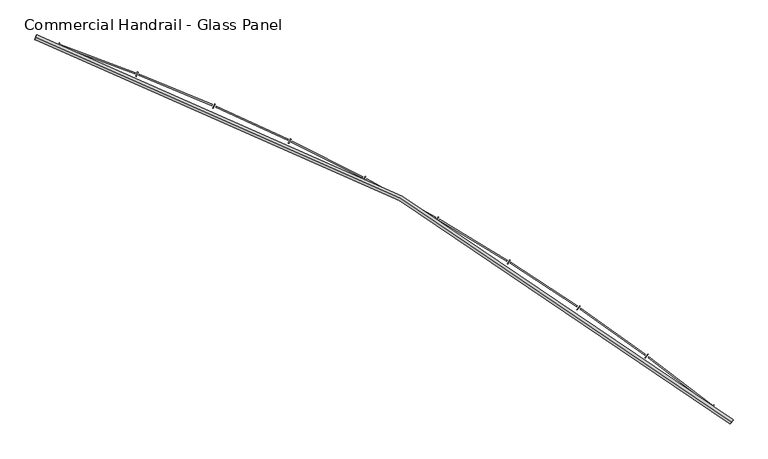
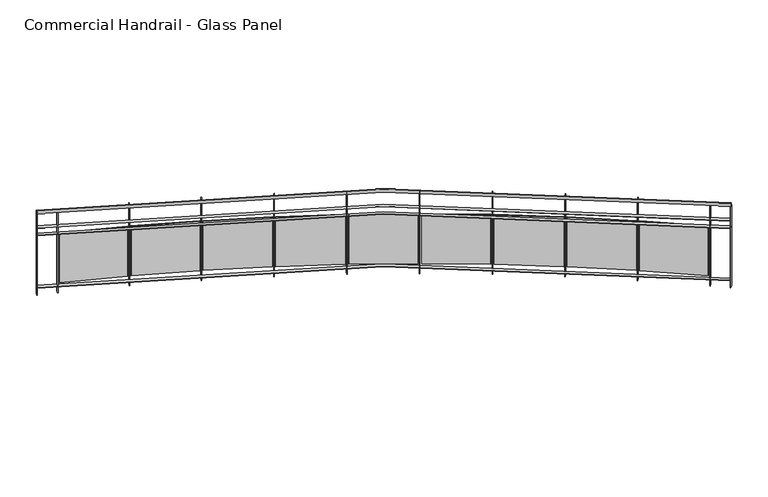
"""IFC4 building model written with IfcOpenShell, lengths in millimetres: railing geometry, Commercial Handrail - Glass Panel."""

from ifc_helpers import new_model, si_unit, point, frame, origin, place, context, project, spatial, polyline, circle_curve, ellipse_curve, trimmed, outline, extrude, source, transform, mapped, element, save
from ifc_brep_helpers import plane_surface, cylinder_surface, revolved_surface, advanced_brep


def commercial_handrail_glass_panel_dd479599(model_context):
    return source(origin(), model_context, "Body", "SolidModel", [
        advanced_brep(
        [(150583.3685507, -40178.0609172, 29882.5), (143915.4015975, -36490.7578825, 29882.5), (143915.4015975, -36490.7578825, 29917.5), (150583.3685507, -40178.0609172, 29917.5)],
        [
            (0, 1, circle_curve(frame((137048.5497623, -56781.179875, 29882.5), z_axis=(0.0, 0.0, 1.0), x_axis=(0.3205678761961466, 0.9472255469269671, 0.0)), 21420.8981782)),
            (1, 2, ellipse_curve(frame((143915.4015975, -36490.7578825, 29900.0), z_axis=(0.9472255469269654, -0.3205678761961524, 0.0), x_axis=(-0.32056787619615235, -0.9472255469269651, 0.0)), 25.0, 17.5)),
            (2, 3, circle_curve(frame((137048.5497623, -56781.179875, 29917.5), z_axis=(0.0, 0.0, -1.0), x_axis=(0.3205678761961466, 0.9472255469269671, 0.0)), 21420.8981782)),
            (3, 0, ellipse_curve(frame((150583.3685507, -40178.0609172, 29900.0), z_axis=(-0.7750897660636332, 0.6318511332136888, 0.0), x_axis=(-0.6318511332136887, -0.775089766063633, 0.0)), 25.0, 17.5)),
            (2, 1, ellipse_curve(frame((143915.4015975, -36490.7578825, 29900.0), z_axis=(0.9472255469269654, -0.3205678761961524, 0.0), x_axis=(-0.32056787619615235, -0.9472255469269651, 0.0)), 25.0, 17.5)),
            (0, 3, ellipse_curve(frame((150583.3685507, -40178.0609172, 29900.0), z_axis=(-0.7750897660636332, 0.6318511332136888, 0.0), x_axis=(-0.6318511332136887, -0.775089766063633, 0.0)), 25.0, 17.5)),
        ],
        [
            revolved_surface(trimmed(ellipse_curve(frame((143915.4015975, -36490.7578825, 29900.0), z_axis=(-0.9472255469269671, 0.3205678761961466, 0.0), x_axis=(0.0, 0.0, -1.0)), 17.5, 25.0), [point((143915.4015975, -36490.7578825, 29917.5))], [point((143915.4015975, -36490.7578825, 29882.5))], True, "CARTESIAN"), (137048.5497623, -56781.179875, 29900.0), (0.0, 0.0, -1.0)),
            revolved_surface(trimmed(ellipse_curve(frame((143915.4015975, -36490.7578825, 29900.0), z_axis=(-0.9472255469269671, 0.3205678761961466, 0.0), x_axis=(0.0, 0.0, -1.0)), 17.5, 25.0), [point((143915.4015975, -36490.7578825, 29882.5))], [point((143915.4015975, -36490.7578825, 29917.5))], True, "CARTESIAN"), (137048.5497623, -56781.179875, 29900.0), (0.0, 0.0, -1.0)),
            plane_surface(frame((143915.4015975, -36490.7578825, 29900.0), z_axis=(-0.9472255469269671, 0.3205678761961466, 0.0), x_axis=(0.3205678761961466, 0.9472255469269671, 0.0))),
            plane_surface(frame((150583.3685507, -40178.0609172, 29900.0), z_axis=(0.7750897660636331, -0.6318511332136886, 0.0), x_axis=(0.6318511332136886, 0.7750897660636331, 0.0))),
        ],
        [
            (0, [[1, 2, 3, 4]]),
            (1, [[-3, 5, -1, 6]]),
            (2, [[-2, -5]]),
            (3, [[-6, -4]]),
        ],
    ),
        advanced_brep(
        [(150597.5852012, -40160.6213975, 29700.0), (143922.6143747, -36469.4453077, 29700.0), (143908.1888203, -36512.0704573, 29700.0), (150569.1519002, -40195.500437, 29700.0), (150597.5852012, -40160.6213975, 29694.0), (143922.6143747, -36469.4453077, 29694.0), (150569.1519002, -40195.500437, 29694.0), (143908.1888203, -36512.0704573, 29694.0)],
        [
            (0, 1, circle_curve(frame((137048.5497623, -56781.179875, 29700.0), z_axis=(0.0, 0.0, 1.0), x_axis=(0.3205678761961466, 0.9472255469269671, 0.0)), 21443.3981782)),
            (1, 2),
            (2, 3, circle_curve(frame((137048.5497623, -56781.179875, 29700.0), z_axis=(0.0, 0.0, -1.0), x_axis=(0.3205678761961466, 0.9472255469269671, 0.0)), 21398.3981782)),
            (3, 0),
            (4, 5, circle_curve(frame((137048.5497623, -56781.179875, 29694.0), z_axis=(0.0, 0.0, 1.0), x_axis=(0.3205678761961466, 0.9472255469269671, 0.0)), 21443.3981782)),
            (5, 1),
            (0, 4),
            (6, 7, circle_curve(frame((137048.5497623, -56781.179875, 29694.0), z_axis=(0.0, 0.0, 1.0), x_axis=(0.3205678761961466, 0.9472255469269671, 0.0)), 21398.3981782)),
            (7, 5),
            (4, 6),
            (2, 7),
            (6, 3),
        ],
        [
            plane_surface(frame((137048.5497623, -56781.179875, 29700.0), z_axis=(0.0, 0.0, 1.0), x_axis=(0.3205678761961466, 0.9472255469269671, 0.0))),
            cylinder_surface(frame((137048.5497623, -56781.179875, 29700.0), z_axis=(0.0, 0.0, -1.0), x_axis=(0.3205678761961466, 0.9472255469269671, 0.0)), 21443.3981782),
            plane_surface(frame((137048.5497623, -56781.179875, 29694.0), z_axis=(0.0, 0.0, -1.0), x_axis=(0.3205678761961466, 0.9472255469269671, 0.0))),
            revolved_surface(polyline([(143908.18882028508, -36512.07045729349, 29694.0), (143908.18882028508, -36512.07045729349, 29700.0)]), (137048.5497623, -56781.179875, 29700.0), (0.0, 0.0, -1.0)),
            plane_surface(frame((143915.4015975, -36490.7578825, 29700.0), z_axis=(-0.9472255469269671, 0.3205678761961466, 0.0), x_axis=(0.3205678761961466, 0.9472255469269671, 0.0))),
            plane_surface(frame((150583.3685507, -40178.0609172, 29700.0), z_axis=(0.7750897660636331, -0.6318511332136886, 0.0), x_axis=(0.6318511332136886, 0.7750897660636331, 0.0))),
        ],
        [
            (0, [[1, 2, 3, 4]]),
            (1, [[5, 6, -1, 7]]),
            (2, [[8, 9, -5, 10]]),
            (3, [[-3, 11, -8, 12]]),
            (4, [[-2, -6, -9, -11]]),
            (5, [[-12, -10, -7, -4]]),
        ],
    ),
        advanced_brep(
        [(150597.5852012, -40160.6213975, 29600.0), (143922.6143747, -36469.4453077, 29600.0), (143908.1888203, -36512.0704573, 29600.0), (150569.1519002, -40195.500437, 29600.0), (150597.5852012, -40160.6213975, 29594.0), (143922.6143747, -36469.4453077, 29594.0), (150569.1519002, -40195.500437, 29594.0), (143908.1888203, -36512.0704573, 29594.0)],
        [
            (0, 1, circle_curve(frame((137048.5497623, -56781.179875, 29600.0), z_axis=(0.0, 0.0, 1.0), x_axis=(0.3205678761961466, 0.9472255469269671, 0.0)), 21443.3981782)),
            (1, 2),
            (2, 3, circle_curve(frame((137048.5497623, -56781.179875, 29600.0), z_axis=(0.0, 0.0, -1.0), x_axis=(0.3205678761961466, 0.9472255469269671, 0.0)), 21398.3981782)),
            (3, 0),
            (4, 5, circle_curve(frame((137048.5497623, -56781.179875, 29594.0), z_axis=(0.0, 0.0, 1.0), x_axis=(0.3205678761961466, 0.9472255469269671, 0.0)), 21443.3981782)),
            (5, 1),
            (0, 4),
            (6, 7, circle_curve(frame((137048.5497623, -56781.179875, 29594.0), z_axis=(0.0, 0.0, 1.0), x_axis=(0.3205678761961466, 0.9472255469269671, 0.0)), 21398.3981782)),
            (7, 5),
            (4, 6),
            (2, 7),
            (6, 3),
        ],
        [
            plane_surface(frame((137048.5497623, -56781.179875, 29600.0), z_axis=(0.0, 0.0, 1.0), x_axis=(0.3205678761961466, 0.9472255469269671, 0.0))),
            cylinder_surface(frame((137048.5497623, -56781.179875, 29600.0), z_axis=(0.0, 0.0, -1.0), x_axis=(0.3205678761961466, 0.9472255469269671, 0.0)), 21443.3981782),
            plane_surface(frame((137048.5497623, -56781.179875, 29594.0), z_axis=(0.0, 0.0, -1.0), x_axis=(0.3205678761961466, 0.9472255469269671, 0.0))),
            revolved_surface(polyline([(143908.18882028508, -36512.07045729349, 29594.0), (143908.18882028508, -36512.07045729349, 29600.0)]), (137048.5497623, -56781.179875, 29600.0), (0.0, 0.0, -1.0)),
            plane_surface(frame((143915.4015975, -36490.7578825, 29600.0), z_axis=(-0.9472255469269671, 0.3205678761961466, 0.0), x_axis=(0.3205678761961466, 0.9472255469269671, 0.0))),
            plane_surface(frame((150583.3685507, -40178.0609172, 29600.0), z_axis=(0.7750897660636331, -0.6318511332136886, 0.0), x_axis=(0.6318511332136886, 0.7750897660636331, 0.0))),
        ],
        [
            (0, [[1, 2, 3, 4]]),
            (1, [[5, 6, -1, 7]]),
            (2, [[8, 9, -5, 10]]),
            (3, [[-3, 11, -8, 12]]),
            (4, [[-2, -6, -9, -11]]),
            (5, [[-12, -10, -7, -4]]),
        ],
    ),
        advanced_brep(
        [(150597.5852012, -40160.6213975, 28900.0), (143922.6143747, -36469.4453077, 28900.0), (143908.1888203, -36512.0704573, 28900.0), (150569.1519002, -40195.500437, 28900.0), (150597.5852012, -40160.6213975, 28894.0), (143922.6143747, -36469.4453077, 28894.0), (150569.1519002, -40195.500437, 28894.0), (143908.1888203, -36512.0704573, 28894.0)],
        [
            (0, 1, circle_curve(frame((137048.5497623, -56781.179875, 28900.0), z_axis=(0.0, 0.0, 1.0), x_axis=(0.3205678761961466, 0.9472255469269671, 0.0)), 21443.3981782)),
            (1, 2),
            (2, 3, circle_curve(frame((137048.5497623, -56781.179875, 28900.0), z_axis=(0.0, 0.0, -1.0), x_axis=(0.3205678761961466, 0.9472255469269671, 0.0)), 21398.3981782)),
            (3, 0),
            (4, 5, circle_curve(frame((137048.5497623, -56781.179875, 28894.0), z_axis=(0.0, 0.0, 1.0), x_axis=(0.3205678761961466, 0.9472255469269671, 0.0)), 21443.3981782)),
            (5, 1),
            (0, 4),
            (6, 7, circle_curve(frame((137048.5497623, -56781.179875, 28894.0), z_axis=(0.0, 0.0, 1.0), x_axis=(0.3205678761961466, 0.9472255469269671, 0.0)), 21398.3981782)),
            (7, 5),
            (4, 6),
            (2, 7),
            (6, 3),
        ],
        [
            plane_surface(frame((137048.5497623, -56781.179875, 28900.0), z_axis=(0.0, 0.0, 1.0), x_axis=(0.3205678761961466, 0.9472255469269671, 0.0))),
            cylinder_surface(frame((137048.5497623, -56781.179875, 28900.0), z_axis=(0.0, 0.0, -1.0), x_axis=(0.3205678761961466, 0.9472255469269671, 0.0)), 21443.3981782),
            plane_surface(frame((137048.5497623, -56781.179875, 28894.0), z_axis=(0.0, 0.0, -1.0), x_axis=(0.3205678761961466, 0.9472255469269671, 0.0))),
            revolved_surface(polyline([(143908.18882028508, -36512.07045729349, 28894.0), (143908.18882028508, -36512.07045729349, 28900.0)]), (137048.5497623, -56781.179875, 28900.0), (0.0, 0.0, -1.0)),
            plane_surface(frame((143915.4015975, -36490.7578825, 28900.0), z_axis=(-0.9472255469269671, 0.3205678761961466, 0.0), x_axis=(0.3205678761961466, 0.9472255469269671, 0.0))),
            plane_surface(frame((150583.3685507, -40178.0609172, 28900.0), z_axis=(0.7750897660636331, -0.6318511332136886, 0.0), x_axis=(0.6318511332136886, 0.7750897660636331, 0.0))),
        ],
        [
            (0, [[1, 2, 3, 4]]),
            (1, [[5, 6, -1, 7]]),
            (2, [[8, 9, -5, 10]]),
            (3, [[-3, 11, -8, 12]]),
            (4, [[-2, -6, -9, -11]]),
            (5, [[-12, -10, -7, -4]]),
        ],
    ),
        extrude(outline(polyline([(150387.8172497, -40049.3121821), (150415.8741434, -40014.1296479), (150420.565148, -40017.8705671), (150392.5082542, -40053.0531013), (150387.8172497, -40049.3121821)])), frame((0.0, 0.0, 28800.0), z_axis=(0.0, 0.0, 1.0), x_axis=(1.0, 0.0, 0.0)), (0.0, 0.0, 1.0), 1082.1192282),
        extrude(outline(polyline([(149791.3308783, -39551.0349259), (150394.2690459, -40013.7071274), (150386.9636954, -40023.2272037), (149784.0255278, -39560.5550022), (149791.3308783, -39551.0349259)])), frame((0.0, 0.0, 28920.0), z_axis=(0.0, 0.0, 1.0), x_axis=(1.0, 0.0, 0.0)), (0.0, 0.0, 1.0), 660.0),
        extrude(outline(polyline([(149753.7807796, -39562.917524), (149780.5044628, -39526.7119338), (149785.3318748, -39530.2750916), (149758.6081917, -39566.4806817), (149753.7807796, -39562.917524)])), frame((0.0, 0.0, 28800.0), z_axis=(0.0, 0.0, 1.0), x_axis=(1.0, 0.0, 0.0)), (0.0, 0.0, 1.0), 1082.1192282),
        extrude(outline(polyline([(149139.1056536, -39087.2593434), (149758.8986545, -39527.0963996), (149751.9538589, -39536.8826049), (149132.160858, -39097.0455487), (149139.1056536, -39087.2593434)])), frame((0.0, 0.0, 28920.0), z_axis=(0.0, 0.0, 1.0), x_axis=(1.0, 0.0, 0.0)), (0.0, 0.0, 1.0), 660.0),
        extrude(outline(polyline([(149102.0254116, -39100.5357023), (149127.3786149, -39063.3575489), (149132.335702, -39066.737976), (149106.9824987, -39103.9161294), (149102.0254116, -39100.5357023)])), frame((0.0, 0.0, 28800.0), z_axis=(0.0, 0.0, 1.0), x_axis=(1.0, 0.0, 0.0)), (0.0, 0.0, 1.0), 1082.1192282),
        extrude(outline(polyline([(148470.0187657, -38648.1599571), (149105.8022278, -39064.5484649), (149099.2276724, -39074.5871511), (148463.4442103, -38658.1986434), (148470.0187657, -38648.1599571)])), frame((0.0, 0.0, 28920.0), z_axis=(0.0, 0.0, 1.0), x_axis=(1.0, 0.0, 0.0)), (0.0, 0.0, 1.0), 660.0),
        extrude(outline(polyline([(148433.4600931, -38662.8115613), (148457.4074585, -38624.712694), (148462.4873075, -38627.9056761), (148438.5399421, -38666.0045433), (148433.4600931, -38662.8115613)])), frame((0.0, 0.0, 28800.0), z_axis=(0.0, 0.0, 1.0), x_axis=(1.0, 0.0, 0.0)), (0.0, 0.0, 1.0), 1082.1192282),
        extrude(outline(polyline([(147785.0033328, -38234.3491413), (148435.8905832, -38626.7083992), (148429.695437, -38636.9855663), (147778.8081866, -38244.6263084), (147785.0033328, -38234.3491413)])), frame((0.0, 0.0, 28920.0), z_axis=(0.0, 0.0, 1.0), x_axis=(1.0, 0.0, 0.0)), (0.0, 0.0, 1.0), 660.0),
        extrude(outline(polyline([(147749.0172148, -38250.3555574), (147771.5253451, -38211.3891094), (147776.7208715, -38214.3901934), (147754.2127412, -38253.3566414), (147749.0172148, -38250.3555574)])), frame((0.0, 0.0, 28800.0), z_axis=(0.0, 0.0, 1.0), x_axis=(1.0, 0.0, 0.0)), (0.0, 0.0, 1.0), 1082.1192282),
        extrude(outline(polyline([(147085.0146873, -37846.4040024), (147750.0979893, -38214.1868206), (147744.2908922, -38224.6881359), (147079.2075902, -37856.9053177), (147085.0146873, -37846.4040024)])), frame((0.0, 0.0, 28920.0), z_axis=(0.0, 0.0, 1.0), x_axis=(1.0, 0.0, 0.0)), (0.0, 0.0, 1.0), 660.0),
        extrude(outline(polyline([(147049.6513106, -37863.7429077), (147070.6888157, -37823.9632221), (147075.9927737, -37826.7682228), (147054.9552687, -37866.5479084), (147049.6513106, -37863.7429077)])), frame((0.0, 0.0, 28800.0), z_axis=(0.0, 0.0, 1.0), x_axis=(1.0, 0.0, 0.0)), (0.0, 0.0, 1.0), 1082.1192282),
        extrude(outline(polyline([(146371.0290434, -37484.8655743), (147049.3808623, -37827.5590376), (147043.9699129, -37838.2698558), (146365.618094, -37495.5763925), (146371.0290434, -37484.8655743)])), frame((0.0, 0.0, 28920.0), z_axis=(0.0, 0.0, 1.0), x_axis=(1.0, 0.0, 0.0)), (0.0, 0.0, 1.0), 660.0),
        extrude(outline(polyline([(146336.3377264, -37503.5127878), (146355.8752669, -37462.975342), (146361.2802597, -37465.5803474), (146341.7427192, -37506.1177932), (146336.3377264, -37503.5127878)])), frame((0.0, 0.0, 28800.0), z_axis=(0.0, 0.0, 1.0), x_axis=(1.0, 0.0, 0.0)), (0.0, 0.0, 1.0), 1082.1192282),
        extrude(outline(polyline([(145644.0421358, -37150.2380638), (146334.7164324, -37467.364247), (146329.7091769, -37478.2696306), (145639.0348803, -37161.1434474), (145644.0421358, -37150.2380638)])), frame((0.0, 0.0, 28920.0), z_axis=(0.0, 0.0, 1.0), x_axis=(1.0, 0.0, 0.0)), (0.0, 0.0, 1.0), 660.0),
        extrude(outline(polyline([(145610.0712594, -37170.1675797), (145628.0815881, -37128.9289078), (145633.5800777, -37131.3302849), (145615.569749, -37172.5689569), (145610.0712594, -37170.1675797)])), frame((0.0, 0.0, 28800.0), z_axis=(0.0, 0.0, 1.0), x_axis=(1.0, 0.0, 0.0)), (0.0, 0.0, 1.0), 1082.1192282),
        extrude(outline(polyline([(144905.0678309, -36842.9881472), (145607.1013808, -37134.1047815), (145602.5048024, -37145.1895217), (144900.4712525, -36854.0728874), (144905.0678309, -36842.9881472)])), frame((0.0, 0.0, 28920.0), z_axis=(0.0, 0.0, 1.0), x_axis=(1.0, 0.0, 0.0)), (0.0, 0.0, 1.0), 660.0),
        extrude(outline(polyline([(144871.8647714, -36864.1721715), (144888.3227707, -36822.2897855), (144893.9070889, -36824.4841854), (144877.4490896, -36866.3665714), (144871.8647714, -36864.1721715)])), frame((0.0, 0.0, 28800.0), z_axis=(0.0, 0.0, 1.0), x_axis=(1.0, 0.0, 0.0)), (0.0, 0.0, 1.0), 1082.1192282),
        extrude(outline(polyline([(144155.1367129, -36563.5443196), (144867.5504501, -36828.2454095), (144863.3709592, -36839.4940475), (144150.957222, -36574.7929575), (144155.1367129, -36563.5443196)])), frame((0.0, 0.0, 28920.0), z_axis=(0.0, 0.0, 1.0), x_axis=(1.0, 0.0, 0.0)), (0.0, 0.0, 1.0), 660.0),
        extrude(outline(polyline([(144122.7477757, -36585.9533088), (144137.6304932, -36543.4856185), (144143.2928519, -36545.4699808), (144128.4101344, -36587.9376712), (144122.7477757, -36585.9533088)])), frame((0.0, 0.0, 28800.0), z_axis=(0.0, 0.0, 1.0), x_axis=(1.0, 0.0, 0.0)), (0.0, 0.0, 1.0), 1082.1192282),
        extrude(outline(polyline([(150566.8266309, -40193.6048836), (150595.2599319, -40158.7258441), (150599.9104705, -40162.5169509), (150571.4771695, -40197.3959904), (150566.8266309, -40193.6048836)])), frame((0.0, 0.0, 28800.0), z_axis=(0.0, 0.0, 1.0), x_axis=(1.0, 0.0, 0.0)), (0.0, 0.0, 1.0), 1082.1192282),
        extrude(outline(polyline([(143905.3471437, -36511.1087537), (143919.7726981, -36468.4836041), (143925.4560514, -36470.4070113), (143911.030497, -36513.032161), (143905.3471437, -36511.1087537)])), frame((0.0, 0.0, 28800.0), z_axis=(0.0, 0.0, 1.0), x_axis=(1.0, 0.0, 0.0)), (0.0, 0.0, 1.0), 1082.1192282),
    ])


if __name__ == "__main__":
    model = new_model("IFC4")
    model_context = context("Model", 3, world=origin())
    ifc_project = project(units=[si_unit("LENGTHUNIT", "METRE", prefix="MILLI")], contexts=[model_context])
    site = spatial("IfcSite", under=ifc_project)
    building = spatial("IfcBuilding", under=site)
    placement = place(None, origin())
    commercial_handrail_glass_panel_shape = commercial_handrail_glass_panel_dd479599(model_context)
    element("IfcRailing", 1, ObjectType="Commercial Handrail - Glass Panel", at=placement, inside=building, context=model_context, shape_type="MappedRepresentation", body=[
        mapped(commercial_handrail_glass_panel_shape, transform((0.0, 0.0, 0.0), x_axis=(1.0, 0.0, 0.0), y_axis=(0.0, 1.0, 0.0), z_axis=(0.0, 0.0, 1.0))),
    ])
    save(model, "model.ifc")
